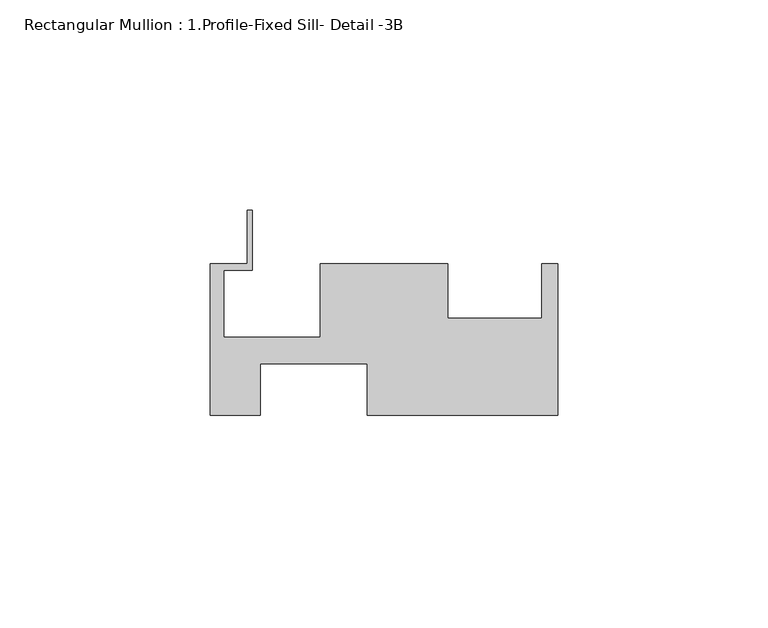
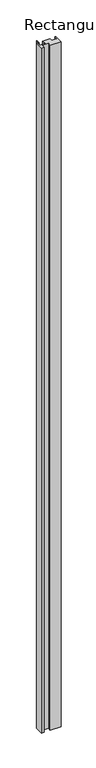
"""IFC4 building model written with IfcOpenShell, lengths in millimetres: member geometry, Rectangular Mullion : 1.Profile-Fixed Sill- Detail -3B."""

from ifc_helpers import new_model, si_unit, frame, origin, place, context, project, spatial, polyline, outline, extrude, source, transform, mapped, element, save


def rectangular_mullion_1_profile_fixed_sill_detail_3b_d89e348c(model_context):
    return source(origin(), model_context, "Body", "SweptSolid", [
        extrude(outline(polyline([(-82.55, 18.4692616), (-73.8124, 18.4692616), (-73.8124, 31.1692616), (-72.5424, 31.1692616), (-72.5424, 16.8944616), (-79.375, 16.8944616), (-79.375, 1.0448616), (-56.4388, 1.0448616), (-56.4388, 18.4692512), (-26.1112, 18.4692512), (-26.1112, 5.5406616), (-3.7338, 5.5406616), (-3.7338, 18.4692616), (0.0, 18.4692616), (0.0, -17.5225384), (-45.3136, -17.5225384), (-45.3136, -5.3051384), (-70.7136, -5.3051384), (-70.7136, -17.5225384), (-82.55, -17.5225384), (-82.55, 18.4692616)])), frame((0.0, 0.0, -3048.0), z_axis=(0.0, 0.0, 1.0), x_axis=(1.0, 0.0, 0.0)), (0.0, 0.0, 1.0), 3048.0),
    ])


if __name__ == "__main__":
    model = new_model("IFC4")
    model_context = context("Model", 3, world=origin())
    ifc_project = project(units=[si_unit("LENGTHUNIT", "METRE", prefix="MILLI")], contexts=[model_context])
    site = spatial("IfcSite", under=ifc_project)
    building = spatial("IfcBuilding", under=site)
    placement = place(None, origin())
    rectangular_mullion_1_profile_fixed_sill_detail_3b_shape = rectangular_mullion_1_profile_fixed_sill_detail_3b_d89e348c(model_context)
    element("IfcMember", 1, ObjectType="Rectangular Mullion : 1.Profile-Fixed Sill- Detail -3B", at=placement, inside=building, context=model_context, shape_type="MappedRepresentation", body=[
        mapped(rectangular_mullion_1_profile_fixed_sill_detail_3b_shape, transform((0.0, 0.0, 0.0), x_axis=(1.0, 0.0, 0.0), y_axis=(0.0, 1.0, 0.0), z_axis=(0.0, 0.0, 1.0))),
    ])
    save(model, "model.ifc")
